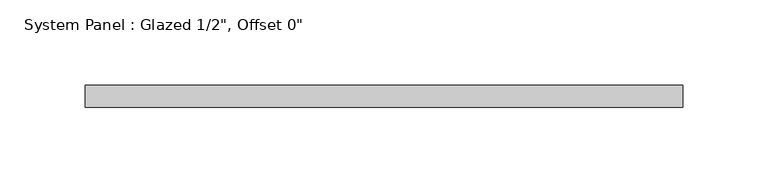
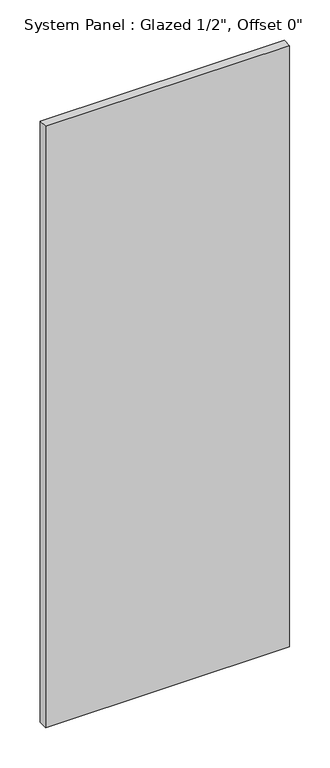
"""IFC4 building model written with IfcOpenShell, lengths in millimetres: plate geometry."""

from ifc_helpers import new_model, si_unit, origin, origin_with_axes, place, context, project, spatial, polyline, outline, extrude, source, transform, mapped, element, save


def plate_4b8e1af8(model_context):
    return source(origin(), model_context, "Body", "SweptSolid", [
        extrude(outline(polyline([(174.625, -6.35), (-174.625, -6.35), (-174.625, 6.35), (174.625, 6.35), (174.625, -6.35)])), origin_with_axes(), (0.0, 0.0, 1.0), 908.05),
    ])


if __name__ == "__main__":
    model = new_model("IFC4")
    model_context = context("Model", 3, world=origin())
    ifc_project = project(units=[si_unit("LENGTHUNIT", "METRE", prefix="MILLI")], contexts=[model_context])
    site = spatial("IfcSite", under=ifc_project)
    building = spatial("IfcBuilding", under=site)
    placement = place(None, origin())
    plate_shape = plate_4b8e1af8(model_context)
    element("IfcPlate", 1, ObjectType="System Panel : Glazed 1/2\", Offset 0\"", at=placement, inside=building, context=model_context, shape_type="MappedRepresentation", body=[
        mapped(plate_shape, transform((0.0, 0.0, 0.0), x_axis=(1.0, 0.0, 0.0), y_axis=(0.0, 1.0, 0.0), z_axis=(0.0, 0.0, 1.0))),
    ])
    save(model, "model.ifc")
